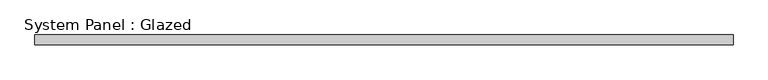
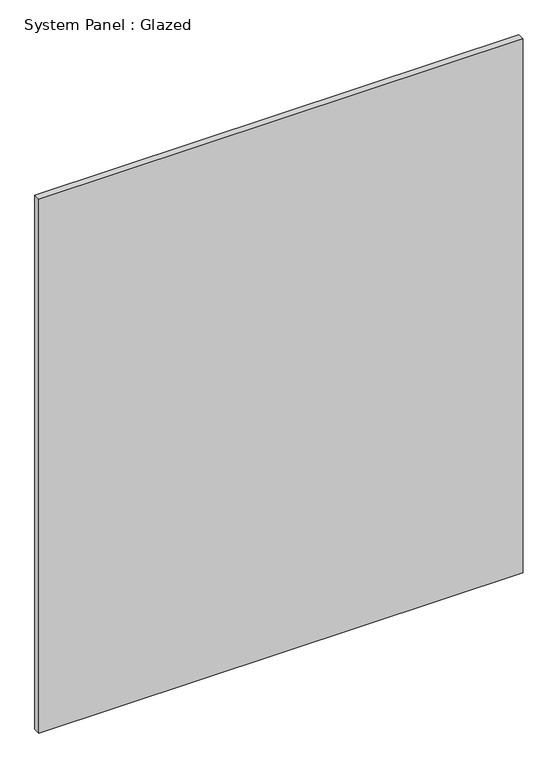
"""IFC4 building model written with IfcOpenShell, lengths in millimetres: plate geometry, System Panel : Glazed."""

from ifc_helpers import new_model, si_unit, origin, origin_with_axes, place, context, project, spatial, polyline, outline, extrude, source, transform, mapped, element, save


def system_panel_glazed_f97d469d(model_context):
    return source(origin(), model_context, "Body", "SweptSolid", [
        extrude(outline(polyline([(888.7354167, -44.45), (-888.7354167, -44.45), (-888.7354167, -19.05), (888.7354167, -19.05), (888.7354167, -44.45)])), origin_with_axes(), (0.0, 0.0, 1.0), 2070.1),
    ])


if __name__ == "__main__":
    model = new_model("IFC4")
    model_context = context("Model", 3, world=origin())
    ifc_project = project(units=[si_unit("LENGTHUNIT", "METRE", prefix="MILLI")], contexts=[model_context])
    site = spatial("IfcSite", under=ifc_project)
    building = spatial("IfcBuilding", under=site)
    placement = place(None, origin())
    system_panel_glazed_shape = system_panel_glazed_f97d469d(model_context)
    element("IfcPlate", 1, ObjectType="System Panel : Glazed", at=placement, inside=building, context=model_context, shape_type="MappedRepresentation", body=[
        mapped(system_panel_glazed_shape, transform((0.0, 0.0, 0.0), x_axis=(1.0, 0.0, 0.0), y_axis=(0.0, 1.0, 0.0), z_axis=(0.0, 0.0, 1.0))),
    ])
    save(model, "model.ifc")
